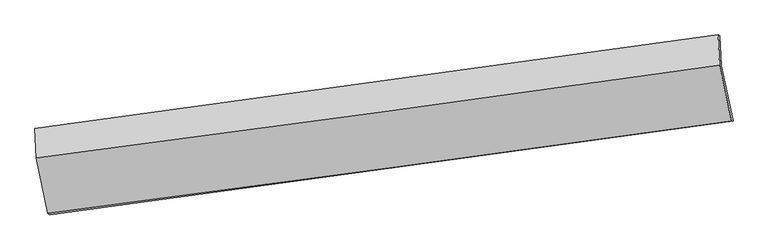
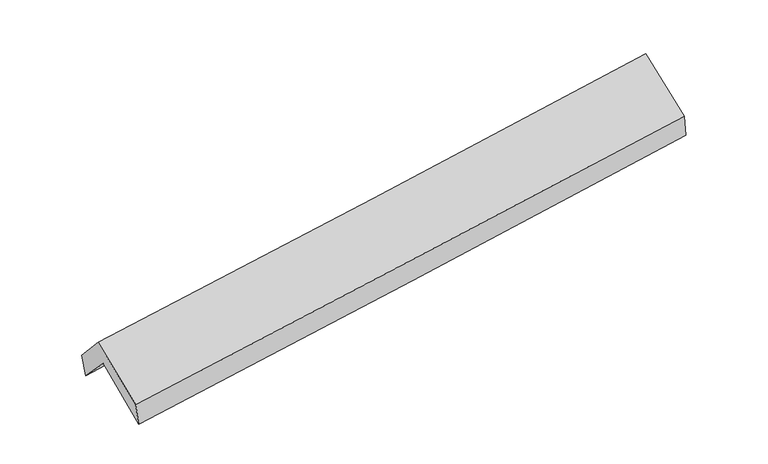
"""IFC4 building model written with IfcOpenShell, lengths in millimetres: proxy geometry."""

from ifc_helpers import new_model, si_unit, frame, origin, place, context, project, spatial, source, transform, mapped, element, save
from ifc_brep_helpers import plane_surface, spline_curve, spline_surface, advanced_brep


def generic_models_ef0cd108(model_context):
    return source(origin(), model_context, "Body", "AdvancedBrep", [
        advanced_brep(
        [(-2916.2831612, -2475.3384424, 1443.7570024), (-3010.8547534, -2026.606959, 1854.28391), (2956.533293, -1164.3595022, 2369.6721886), (3060.7787761, -1650.3961497, 1925.9430073), (-3025.2936524, -1742.5083992, 1553.5651358), (2945.4709869, -903.2494226, 2066.0394524), (-3046.2027669, -1714.8691839, 1764.9725386), (2930.054014, -896.1037651, 2240.0174176), (-3033.9964066, -1974.8191676, 2052.5333853), (2942.5246328, -1161.1687701, 2533.2848374), (-2934.8329436, -2461.4073518, 1649.1593025), (3043.7191608, -1650.6621811, 2132.1381155)],
        [
            (0, 1),
            (1, 2, spline_curve(3, [(-3010.8547534, -2026.606959, 1854.28391), (-2017.933515125, -1875.91581902, 1949.109396177), (-1024.162462496, -1728.712438121, 2039.473333514), (964.967077765, -1441.297406186, 2211.268419705), (1960.325374332, -1301.084967907, 2292.700575419), (2956.533293, -1164.3595022, 2369.6721886)], [4, 2, 4], [0.0, 9.928563484939634, 19.85600702893509])),
            (2, 3),
            (3, 0, spline_curve(3, [(3060.7787761, -1650.3961497, 1925.9430073), (2065.323122041, -1787.189167028, 1836.143409685), (1069.534912949, -1924.326969924, 1751.063443991), (-922.818991345, -2199.307656648, 1590.333710749), (-1919.384761138, -2337.150617768, 1514.685008154), (-2916.2831612, -2475.3384424, 1443.7570024)], [4, 2, 4], [0.0, 9.927443543995455, 19.85600702893509])),
            (1, 4),
            (4, 5, spline_curve(3, [(-3025.2936524, -1742.5083992, 1553.5651358), (-2031.086187198, -1593.820683045, 1635.896934596), (-1036.390642999, -1449.534880511, 1719.771522942), (953.864346788, -1169.782881378, 1890.596642987), (1949.423682275, -1034.315691595, 1977.546826951), (2945.4709869, -903.2494226, 2066.0394524)], [4, 2, 4], [0.0, 9.927276137589923, 19.853432479448315])),
            (5, 2),
            (4, 6),
            (6, 7, spline_curve(3, [(-3046.2027669, -1714.8691839, 1764.9725386), (-2049.878782408, -1578.027724341, 1840.299442163), (-1053.667307912, -1441.372704911, 1917.552308514), (938.418260051, -1168.450940731, 2075.901036122), (1934.292379671, -1032.1841538, 2156.996462461), (2930.054014, -896.1037651, 2240.0174176)], [4, 2, 4], [0.0, 9.926692397391193, 19.85226506489669])),
            (7, 5),
            (6, 8),
            (8, 9, spline_curve(3, [(-3033.9964066, -1974.8191676, 2052.5333853), (-2036.883014061, -1846.301192482, 2132.271837444), (-1040.254834098, -1714.233980571, 2212.205955357), (951.918736273, -1443.016380551, 2372.456483412), (1947.464235995, -1303.866793326, 2452.772849633), (2942.5246328, -1161.1687701, 2533.2848374)], [4, 2, 4], [0.0, 9.926385366553724, 19.8516510378548])),
            (9, 7),
            (8, 10),
            (10, 11, spline_curve(3, [(-2934.8329436, -2461.4073518, 1649.1593025), (-1937.981621621, -2329.788214877, 1730.774580704), (-941.315195224, -2196.412638858, 1811.832692967), (1051.535464609, -1926.16385242, 1972.825504934), (2047.719739541, -1789.291037954, 2052.760330302), (3043.7191608, -1650.6621811, 2132.1381155)], [4, 2, 4], [0.0, 9.927893986137345, 19.854668106849907])),
            (11, 9),
            (10, 0),
            (3, 11),
        ],
        [
            spline_surface(3, 3, [[(-2916.2831612, -2475.3384424, 1443.7570024), (-1919.384761103, -2337.150617824, 1514.685008135), (-922.818991223, -2199.3076565, 1590.333710766), (1069.534912826, -1924.326970071, 1751.063443974), (2065.323122074, -1787.189167147, 1836.143409684), (3060.7787761, -1650.3961497, 1925.9430073)], [(-2947.807025274, -2325.761281255, 1580.599304926), (-1952.234345793, -2183.405684884, 1659.493137489), (-956.600148339, -2042.442583743, 1740.046918308), (1034.678967856, -1763.317115413, 1904.465102573), (2030.32387276, -1625.154434073, 1988.329131619), (3026.030281718, -1488.383933857, 2073.852734396)], [(-2979.330889326, -2176.184120145, 1717.441607474), (-1985.08393046, -2029.66075198, 1804.301266863), (-990.381305492, -1885.577510976, 1889.760125878), (999.823022848, -1602.307260746, 2057.866761201), (1995.324623493, -1463.11970103, 2140.514853566), (2991.281787382, -1326.371718043, 2221.762461504)], [(-3010.8547534, -2026.606959, 1854.28391), (-2017.933515149, -1875.915819039, 1949.109396216), (-1024.162462609, -1728.712438219, 2039.473333419), (964.967077877, -1441.297406088, 2211.2684198), (1960.32537418, -1301.084967957, 2292.7005755), (2956.533293, -1164.3595022, 2369.6721886)]], [4, 4], [4, 2, 4], [0.0, 2.187795184569058], [0.0, 9.928563484939634, 19.85600702893509]),
            spline_surface(3, 3, [[(-3010.8547534, -2026.606959, 1854.28391), (-2017.933515149, -1875.915819039, 1949.109396216), (-1024.162462609, -1728.712438219, 2039.473333419), (964.967077877, -1441.297406088, 2211.2684198), (1960.32537418, -1301.084967957, 2292.7005755), (2956.533293, -1164.3595022, 2369.6721886)], [(-3015.667719742, -1931.907439076, 1754.044318589), (-2022.317739184, -1781.884107055, 1844.705242349), (-1028.238522751, -1635.653252302, 1932.906063252), (961.266167531, -1350.79256449, 2104.377827584), (1956.691476939, -1212.161875869, 2187.649326034), (2952.845857651, -1077.32280901, 2268.46127654)], [(-3020.480686058, -1837.207919124, 1653.804727211), (-2026.701963192, -1687.852395043, 1740.301088515), (-1032.314582901, -1542.594066449, 1826.338793014), (957.565257178, -1260.287722955, 1997.487235297), (1953.057579646, -1123.238783751, 2082.598076547), (2949.158422249, -990.28611579, 2167.25036446)], [(-3025.2936524, -1742.5083992, 1553.5651358), (-2031.086187227, -1593.820683058, 1635.896934647), (-1036.390643043, -1449.534880532, 1719.771522848), (953.864346832, -1169.782881357, 1890.596643081), (1949.423682405, -1034.315691663, 1977.546827081), (2945.4709869, -903.2494226, 2066.0394524)]], [4, 4], [4, 2, 4], [0.0, 1.3860191989204276], [0.0, 9.927276137589923, 19.853432479448315]),
            spline_surface(3, 3, [[(-3025.2936524, -1742.5083992, 1553.5651358), (-2031.086187227, -1593.820683058, 1635.896934647), (-1036.390643043, -1449.534880532, 1719.771522848), (953.864346832, -1169.782881357, 1890.596643081), (1949.423682405, -1034.315691663, 1977.546827081), (2945.4709869, -903.2494226, 2066.0394524)], [(-3032.263357233, -1733.295327423, 1624.034270073), (-2037.35038561, -1588.55636344, 1704.031103818), (-1042.149531399, -1446.814155343, 1785.698451428), (948.715651266, -1169.338901154, 1952.36477407), (1944.379914764, -1033.605179001, 2037.363372257), (2940.331995922, -900.867536737, 2124.032107462)], [(-3039.233062067, -1724.082255677, 1694.503404327), (-2043.614583993, -1583.292043852, 1772.16527297), (-1047.908419697, -1444.093430118, 1851.625380008), (943.566955758, -1168.894920915, 2014.132905059), (1939.336147158, -1032.89466643, 2097.179917449), (2935.193004978, -898.485650963, 2182.024762538)], [(-3046.2027669, -1714.8691839, 1764.9725386), (-2049.878782376, -1578.027724234, 1840.299442141), (-1053.667308053, -1441.37270493, 1917.552308588), (938.418260192, -1168.450940712, 2075.901036048), (1934.292379516, -1032.184153769, 2156.996462625), (2930.054014, -896.1037651, 2240.0174176)]], [4, 4], [4, 2, 4], [0.0, 0.6309036294322283], [0.0, 9.926692397391193, 19.85226506489669]),
            spline_surface(3, 3, [[(-3046.2027669, -1714.8691839, 1764.9725386), (-2049.878782376, -1578.027724234, 1840.299442141), (-1053.667308053, -1441.37270493, 1917.552308588), (938.418260192, -1168.450940712, 2075.901036048), (1934.292379516, -1032.184153769, 2156.996462625), (2930.054014, -896.1037651, 2240.0174176)], [(-3042.13398012, -1801.51917846, 1860.826154149), (-2045.546859612, -1667.452213622, 1937.623573905), (-1049.196483377, -1532.326463442, 2015.770190793), (942.918418895, -1259.972754026, 2174.752851835), (1938.68299836, -1122.745033667, 2255.588591662), (2934.210886937, -984.458766786, 2337.773224225)], [(-3038.06519338, -1888.16917304, 1956.679769751), (-2041.214936888, -1756.876703029, 2034.94770572), (-1044.725658752, -1623.280221954, 2113.988073077), (947.418577547, -1351.49456734, 2273.6046677), (1943.073617192, -1213.305913507, 2354.180720623), (2938.367759863, -1072.813768414, 2435.529030775)], [(-3033.9964066, -1974.8191676, 2052.5333853), (-2036.883014124, -1846.301192417, 2132.271837484), (-1040.254834075, -1714.233980467, 2212.205955282), (951.918736251, -1443.016380654, 2372.456483486), (1947.464236035, -1303.866793406, 2452.77284966), (2942.5246328, -1161.1687701, 2533.2848374)]], [4, 4], [4, 2, 4], [0.0, 1.3224756368056063], [0.0, 9.926385366553724, 19.8516510378548]),
            spline_surface(3, 3, [[(-3033.9964066, -1974.8191676, 2052.5333853), (-2036.883014124, -1846.301192417, 2132.271837484), (-1040.254834075, -1714.233980467, 2212.205955282), (951.918736251, -1443.016380654, 2372.456483486), (1947.464236035, -1303.866793406, 2452.77284966), (2942.5246328, -1161.1687701, 2533.2848374)], [(-3000.941918948, -2137.015229018, 1918.075357726), (-2003.915883358, -2007.463533215, 1998.439418579), (-1007.27495445, -1874.960199954, 2078.748201182), (985.124312357, -1604.065537923, 2239.246157312), (1980.88273718, -1465.674874956, 2319.435343217), (2976.256142147, -1324.333240431, 2399.569263434)], [(-2967.887431252, -2299.211290382, 1783.617330074), (-1970.948752549, -2168.625873958, 1864.606999594), (-974.295074817, -2035.686419386, 1945.29044706), (1018.329888471, -1765.114695136, 2106.035831116), (2014.301238284, -1627.482956514, 2186.097836771), (3009.987651453, -1487.497710769, 2265.853689466)], [(-2934.8329436, -2461.4073518, 1649.1593025), (-1937.981621783, -2329.788214756, 1730.774580689), (-941.315195192, -2196.412638873, 1811.83269296), (1051.535464577, -1926.163852405, 1972.825504942), (2047.719739429, -1789.291038064, 2052.760330328), (3043.7191608, -1650.6621811, 2132.1381155)]], [4, 4], [4, 2, 4], [0.0, 2.082290596356209], [0.0, 9.927893986137345, 19.854668106849907]),
            spline_surface(3, 3, [[(-2934.8329436, -2461.4073518, 1649.1593025), (-1937.981621783, -2329.788214756, 1730.774580689), (-941.315195192, -2196.412638873, 1811.83269296), (1051.535464577, -1926.163852405, 1972.825504942), (2047.719739429, -1789.291038064, 2052.760330328), (3043.7191608, -1650.6621811, 2132.1381155)], [(-2928.649682782, -2466.051048667, 1580.691869136), (-1931.782668205, -2332.242349113, 1658.744723174), (-935.149793879, -2197.377644736, 1737.999698901), (1057.53528065, -1925.551558281, 1898.904817958), (2053.587533636, -1788.590414438, 1980.55469009), (3049.405699225, -1650.57350398, 2063.406412743)], [(-2922.466422018, -2470.694745533, 1512.224435764), (-1925.583714681, -2334.696483467, 1586.714865651), (-928.984392535, -2198.342650637, 1664.166704825), (1063.535096753, -1924.939264195, 1824.984130958), (2059.455327867, -1787.889790773, 1908.349049923), (3055.092237675, -1650.48482682, 1994.674710057)], [(-2916.2831612, -2475.3384424, 1443.7570024), (-1919.384761103, -2337.150617824, 1514.685008135), (-922.818991223, -2199.3076565, 1590.333710766), (1069.534912826, -1924.326970071, 1751.063443974), (2065.323122074, -1787.189167147, 1836.143409684), (3060.7787761, -1650.3961497, 1925.9430073)]], [4, 4], [4, 2, 4], [0.0, 0.7295967274333913], [0.0, 9.929660163229373, 19.85820026180937]),
            plane_surface(frame((2979.8468106, -1237.6566318, 2211.1825031), z_axis=(0.987182846383189, 0.1370048806450253, 0.08185163704061066), x_axis=(0.15789248630418218, -0.7637501077079325, -0.6259039349171767))),
            plane_surface(frame((-2994.5772807, -2065.9249173, 1719.7118791), z_axis=(-0.9876187082005187, -0.13491759985843976, -0.08004079247969104), x_axis=(-0.08973898284931453, 0.06739496292095593, 0.9936824613175245))),
        ],
        [
            (0, [[1, 2, 3, 4]]),
            (1, [[5, 6, 7, -2]]),
            (2, [[8, 9, 10, -6]]),
            (3, [[11, 12, 13, -9]]),
            (4, [[14, 15, 16, -12]]),
            (5, [[17, -4, 18, -15]]),
            (6, [[-16, -18, -3, -7, -10, -13]]),
            (7, [[-17, -14, -11, -8, -5, -1]]),
        ],
    ),
    ])


if __name__ == "__main__":
    model = new_model("IFC4")
    model_context = context("Model", 3, world=origin())
    ifc_project = project(units=[si_unit("LENGTHUNIT", "METRE", prefix="MILLI")], contexts=[model_context])
    site = spatial("IfcSite", under=ifc_project)
    building = spatial("IfcBuilding", under=site)
    placement = place(None, origin())
    generic_models_shape = generic_models_ef0cd108(model_context)
    element("IfcBuildingElementProxy", 1, Name="Generic Models", at=placement, inside=building, context=model_context, shape_type="MappedRepresentation", body=[
        mapped(generic_models_shape, transform((0.0, 0.0, 0.0), x_axis=(1.0, 0.0, 0.0), y_axis=(0.0, 1.0, 0.0), z_axis=(0.0, 0.0, 1.0))),
    ])
    save(model, "model.ifc")
